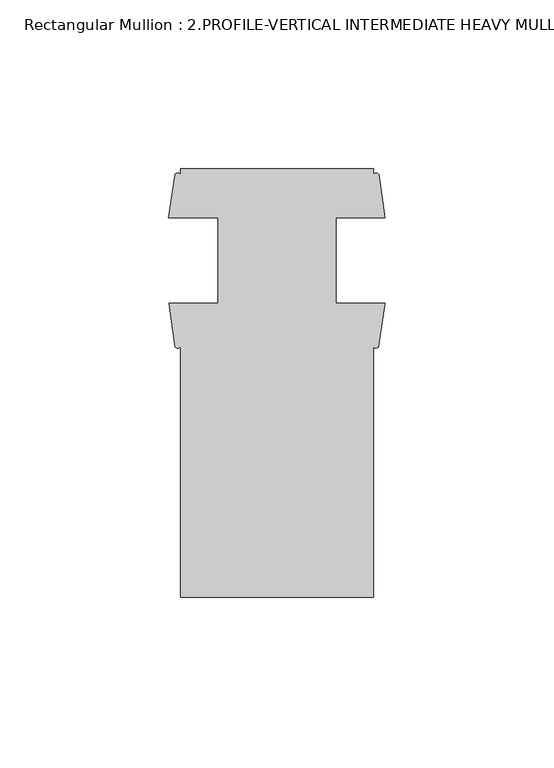
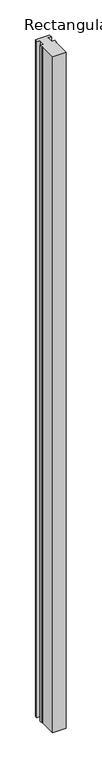
"""IFC4 building model written with IfcOpenShell, lengths in millimetres: member geometry, Rectangular Mullion : 2.PROFILE-VERTICAL INTERMEDIATE HEAVY MULLION DETAIL-5A."""

from ifc_helpers import new_model, si_unit, point, frame, frame_2d, origin, place, context, project, spatial, polyline, circle_curve, trimmed, segment, composite_curve, outline, extrude, source, transform, mapped, element, save


def rectangular_mullion_2_profile_vertical_intermediate_heavy_f81de921(model_context):
    return source(origin(), model_context, "Body", "SweptSolid", [
        extrude(outline(composite_curve([segment(polyline([(-3.5195217, 62.2995289), (-3.5195217, 60.5690567)]), True, "CONTINUOUS"), segment(trimmed(circle_curve(frame_2d((-2.6878195, 60.0078055)), 1.0033601), [point((-3.5195217, 60.5690567))], [point((-1.8561173, 60.5690567))], False, "CARTESIAN"), True, "CONTINUOUS"), segment(polyline([(-1.8561173, 60.5690567), (0.0, 47.7960039), (-14.6320217, 47.7960039), (-14.6320217, 22.3960039), (-0.1235217, 22.3960039), (-1.9336255, 9.6247164)]), True, "CONTINUOUS"), segment(trimmed(circle_curve(frame_2d((-2.7265736, 10.1047082)), 0.9269082), [point((-1.9336255, 9.6247164))], [point((-3.5195217, 9.6247164))], False, "CARTESIAN"), True, "CONTINUOUS"), segment(polyline([(-3.5195217, 9.6247164), (-3.5195217, -64.7004711), (-60.6695217, -64.7004711), (-60.6695217, 9.6247164)]), True, "CONTINUOUS"), segment(trimmed(circle_curve(frame_2d((-61.4624699, 10.1033786)), 0.9262204), [point((-60.6695217, 9.6247164))], [point((-62.255418, 9.6247164))], False, "CARTESIAN"), True, "CONTINUOUS"), segment(polyline([(-62.255418, 9.6247164), (-64.0655217, 22.3960039), (-49.5570217, 22.3960039), (-49.5570217, 47.7960039), (-64.1890435, 47.7960039), (-62.3329261, 60.5690567)]), True, "CONTINUOUS"), segment(trimmed(circle_curve(frame_2d((-61.5012239, 60.0073532)), 1.0036132), [point((-62.3329261, 60.5690567))], [point((-60.6695217, 60.5690567))], False, "CARTESIAN"), True, "CONTINUOUS"), segment(polyline([(-60.6695217, 60.5690567), (-60.6695217, 62.2995289), (-3.5195217, 62.2995289)]), True, "CONTINUOUS")], self_intersect=False)), frame((0.0, 0.0, -3048.0), z_axis=(0.0, 0.0, 1.0), x_axis=(1.0, 0.0, 0.0)), (0.0, 0.0, 1.0), 3048.0),
    ])


if __name__ == "__main__":
    model = new_model("IFC4")
    model_context = context("Model", 3, world=origin())
    ifc_project = project(units=[si_unit("LENGTHUNIT", "METRE", prefix="MILLI")], contexts=[model_context])
    site = spatial("IfcSite", under=ifc_project)
    building = spatial("IfcBuilding", under=site)
    placement = place(None, origin())
    rectangular_mullion_2_profile_vertical_intermediate_heavy_shape = rectangular_mullion_2_profile_vertical_intermediate_heavy_f81de921(model_context)
    element("IfcMember", 1, ObjectType="Rectangular Mullion : 2.PROFILE-VERTICAL INTERMEDIATE HEAVY MULLION DETAIL-5A", at=placement, inside=building, context=model_context, shape_type="MappedRepresentation", body=[
        mapped(rectangular_mullion_2_profile_vertical_intermediate_heavy_shape, transform((0.0, 0.0, 0.0), x_axis=(1.0, 0.0, 0.0), y_axis=(0.0, 1.0, 0.0), z_axis=(0.0, 0.0, 1.0))),
    ])
    save(model, "model.ifc")
